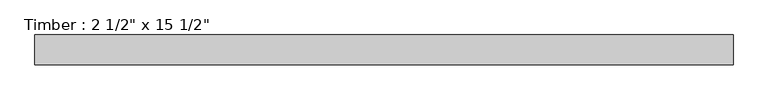
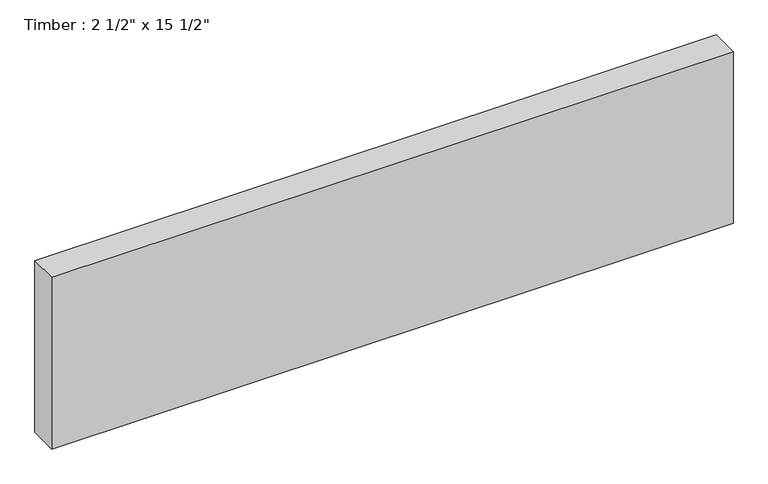
"""IFC4 building model written with IfcOpenShell, lengths in millimetres: beam geometry."""

from ifc_helpers import new_model, si_unit, frame, origin, place, context, project, spatial, polyline, outline, extrude, source, transform, mapped, element, save


def beam_cd392f71(model_context):
    return source(origin(), model_context, "Body", "SweptSolid", [
        extrude(outline(polyline([(738.6853528, 31.75), (738.6853528, -31.75), (-738.6853528, -31.75), (-738.6853528, 31.75), (738.6853528, 31.75)])), frame((0.0, 0.0, -196.85), z_axis=(0.0, 0.0, 1.0), x_axis=(1.0, 0.0, 0.0)), (0.0, 0.0, 1.0), 393.7),
    ])


if __name__ == "__main__":
    model = new_model("IFC4")
    model_context = context("Model", 3, world=origin())
    ifc_project = project(units=[si_unit("LENGTHUNIT", "METRE", prefix="MILLI")], contexts=[model_context])
    site = spatial("IfcSite", under=ifc_project)
    building = spatial("IfcBuilding", under=site)
    placement = place(None, origin())
    beam_shape = beam_cd392f71(model_context)
    element("IfcBeam", 1, ObjectType="Timber : 2 1/2\" x 15 1/2\"", at=placement, inside=building, context=model_context, shape_type="MappedRepresentation", body=[
        mapped(beam_shape, transform((0.0, 0.0, 0.0), x_axis=(1.0, 0.0, 0.0), y_axis=(0.0, 1.0, 0.0), z_axis=(0.0, 0.0, 1.0))),
    ])
    save(model, "model.ifc")
